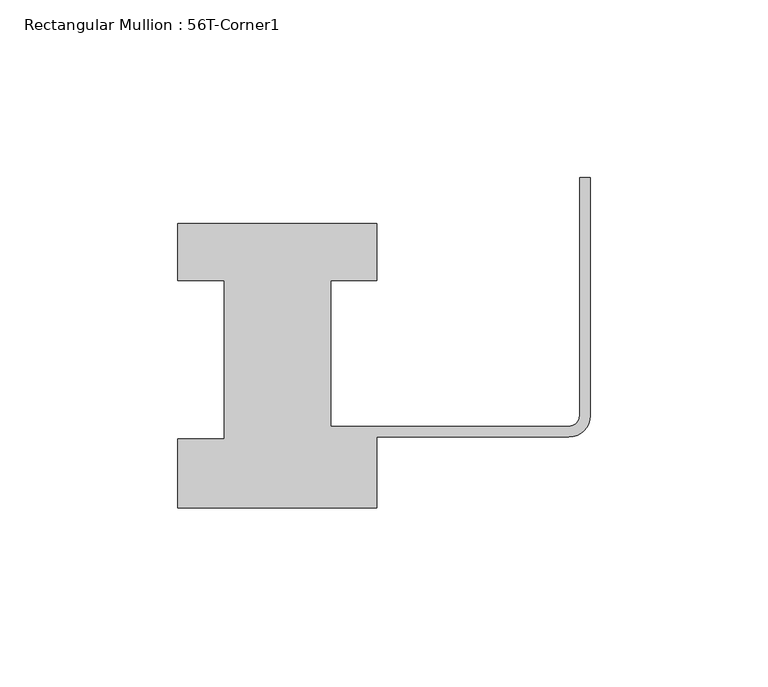
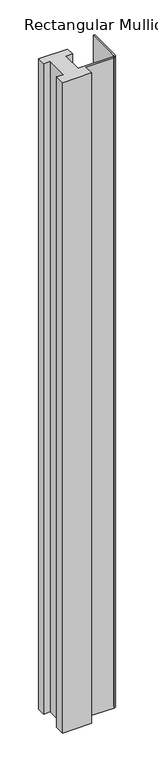
"""IFC4 building model written with IfcOpenShell, lengths in millimetres: member geometry, Rectangular Mullion : 56T-Corner1."""

from ifc_helpers import new_model, si_unit, point, frame, frame_2d, origin, place, context, project, spatial, polyline, circle_curve, trimmed, segment, composite_curve, outline, extrude, source, transform, mapped, element, save


def rectangular_mullion_56t_corner1_69cad800(model_context):
    return source(origin(), model_context, "Body", "SweptSolid", [
        extrude(outline(composite_curve([segment(polyline([(-116.0, -20.0), (-116.0, -0.5), (-103.0, -0.5), (-103.0, 44.0), (-116.0, 44.0), (-116.0, 60.0), (-60.0, 60.0), (-60.0, 44.0), (-73.0, 44.0), (-73.0, 3.0), (-6.0, 3.0)]), True, "CONTINUOUS"), segment(trimmed(circle_curve(frame_2d((-6.0, 6.0)), 3.0), [point((-6.0, 3.0))], [point((-3.0, 6.0))], True, "CARTESIAN"), True, "CONTINUOUS"), segment(polyline([(-3.0, 6.0), (-3.0, 73.0), (0.0, 73.0), (0.0, 6.0)]), True, "CONTINUOUS"), segment(trimmed(circle_curve(frame_2d((-6.0, 6.0)), 6.0), [point((0.0, 6.0))], [point((-6.0, 0.0))], False, "CARTESIAN"), True, "CONTINUOUS"), segment(polyline([(-6.0, 0.0), (-60.0, 0.0), (-60.0, -20.0), (-116.0, -20.0)]), True, "CONTINUOUS")], self_intersect=False)), frame((0.0, 0.0, -1322.465707), z_axis=(0.0, 0.0, 1.0), x_axis=(1.0, 0.0, 0.0)), (0.0, 0.0, 1.0), 1322.465707),
    ])


if __name__ == "__main__":
    model = new_model("IFC4")
    model_context = context("Model", 3, world=origin())
    ifc_project = project(units=[si_unit("LENGTHUNIT", "METRE", prefix="MILLI")], contexts=[model_context])
    site = spatial("IfcSite", under=ifc_project)
    building = spatial("IfcBuilding", under=site)
    placement = place(None, origin())
    rectangular_mullion_56t_corner1_shape = rectangular_mullion_56t_corner1_69cad800(model_context)
    element("IfcMember", 1, ObjectType="Rectangular Mullion : 56T-Corner1", at=placement, inside=building, context=model_context, shape_type="MappedRepresentation", body=[
        mapped(rectangular_mullion_56t_corner1_shape, transform((0.0, 0.0, 0.0), x_axis=(1.0, 0.0, 0.0), y_axis=(0.0, 1.0, 0.0), z_axis=(0.0, 0.0, 1.0))),
    ])
    save(model, "model.ifc")
